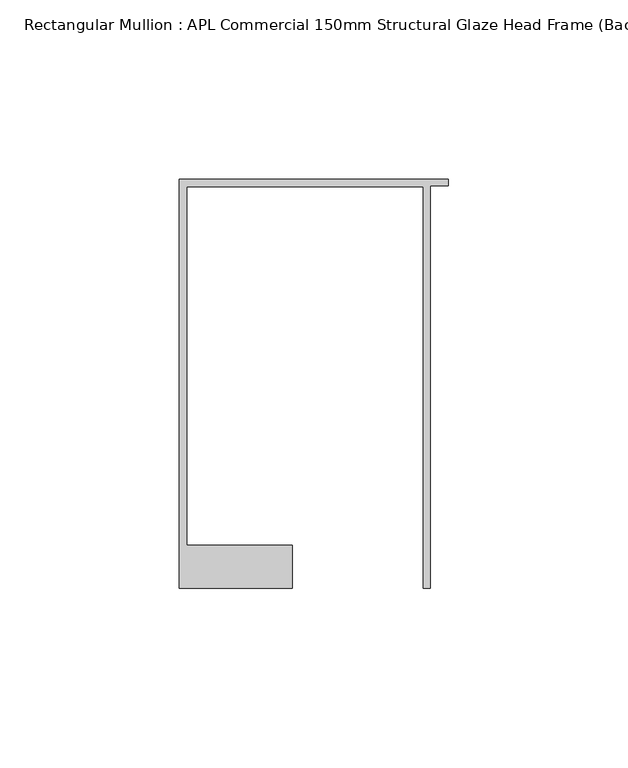
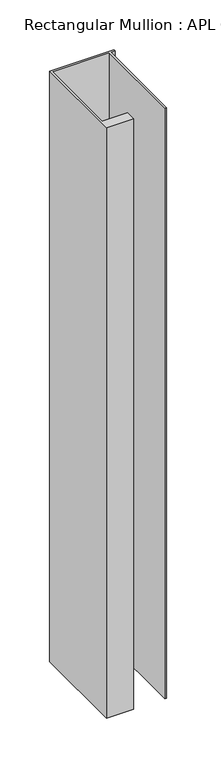
"""IFC4 building model written with IfcOpenShell, lengths in millimetres: member geometry, Rectangular Mullion : APL Commercial 150mm Structural Glaze Head Frame (Back)."""

from ifc_helpers import new_model, si_unit, frame, origin, place, context, project, spatial, polyline, outline, extrude, source, transform, mapped, element, save


def rectangular_mullion_apl_commercial_150mm_structural_glaze_1c5c7f0c(model_context):
    return source(origin(), model_context, "Body", "SweptSolid", [
        extrude(outline(polyline([(-75.0, 128.9993063), (0.0, 128.9993063), (0.0, 127.1993063), (-5.0, 127.1993063), (-5.0, 14.9998342), (-7.0, 14.9998342), (-7.0, 126.9993063), (-73.0, 126.9993063), (-73.0, 26.9997514), (-43.5000151, 26.9997514), (-43.5000151, 14.9998342), (-75.0, 14.9998342), (-75.0, 128.9993063)])), frame((0.0, 0.0, -724.000019), z_axis=(0.0, 0.0, 1.0), x_axis=(1.0, 0.0, 0.0)), (0.0, 0.0, 1.0), 724.000019),
    ])


if __name__ == "__main__":
    model = new_model("IFC4")
    model_context = context("Model", 3, world=origin())
    ifc_project = project(units=[si_unit("LENGTHUNIT", "METRE", prefix="MILLI")], contexts=[model_context])
    site = spatial("IfcSite", under=ifc_project)
    building = spatial("IfcBuilding", under=site)
    placement = place(None, origin())
    rectangular_mullion_apl_commercial_150mm_structural_glaze_shape = rectangular_mullion_apl_commercial_150mm_structural_glaze_1c5c7f0c(model_context)
    element("IfcMember", 1, ObjectType="Rectangular Mullion : APL Commercial 150mm Structural Glaze Head Frame (Back)", at=placement, inside=building, context=model_context, shape_type="MappedRepresentation", body=[
        mapped(rectangular_mullion_apl_commercial_150mm_structural_glaze_shape, transform((0.0, 0.0, 0.0), x_axis=(1.0, 0.0, 0.0), y_axis=(0.0, 1.0, 0.0), z_axis=(0.0, 0.0, 1.0))),
    ])
    save(model, "model.ifc")
